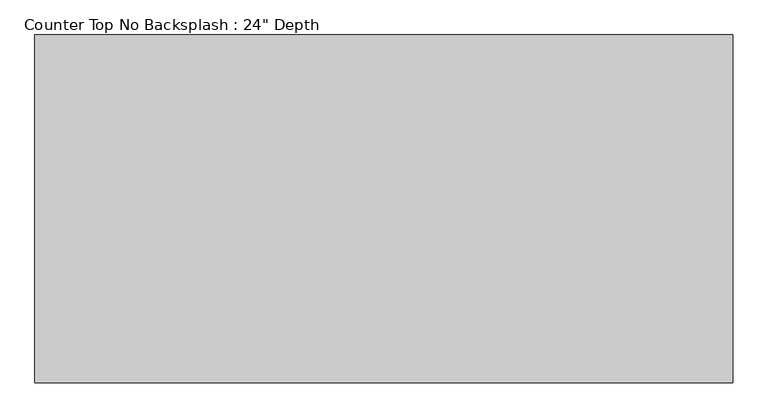
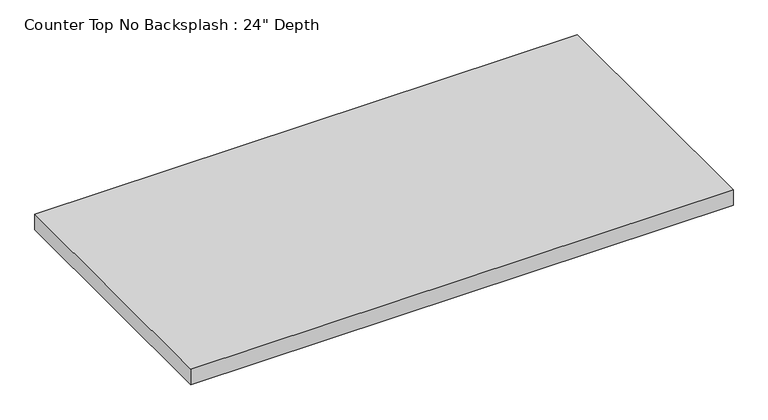
"""IFC4 building model written with IfcOpenShell, lengths in millimetres: furniture geometry."""

from ifc_helpers import new_model, si_unit, frame, origin, place, context, project, spatial, polyline, outline, extrude, source, transform, mapped, element, save


def furniture_d7790a44(model_context):
    return source(origin(), model_context, "Body", "SweptSolid", [
        extrude(outline(polyline([(74.5562514, 0.0), (74.5562514, -635.0), (-1200.4622951, -635.0), (-1200.4622951, 0.0), (74.5562514, 0.0)])), frame((0.0, 0.0, 876.3), z_axis=(0.0, 0.0, 1.0), x_axis=(1.0, 0.0, 0.0)), (0.0, 0.0, 1.0), 38.1),
    ])


if __name__ == "__main__":
    model = new_model("IFC4")
    model_context = context("Model", 3, world=origin())
    ifc_project = project(units=[si_unit("LENGTHUNIT", "METRE", prefix="MILLI")], contexts=[model_context])
    site = spatial("IfcSite", under=ifc_project)
    building = spatial("IfcBuilding", under=site)
    placement = place(None, origin())
    furniture_shape = furniture_d7790a44(model_context)
    element("IfcFurniture", 1, ObjectType="Counter Top No Backsplash : 24\" Depth", at=placement, inside=building, context=model_context, shape_type="MappedRepresentation", body=[
        mapped(furniture_shape, transform((0.0, 0.0, 0.0), x_axis=(1.0, 0.0, 0.0), y_axis=(0.0, 1.0, 0.0), z_axis=(0.0, 0.0, 1.0))),
    ])
    save(model, "model.ifc")
